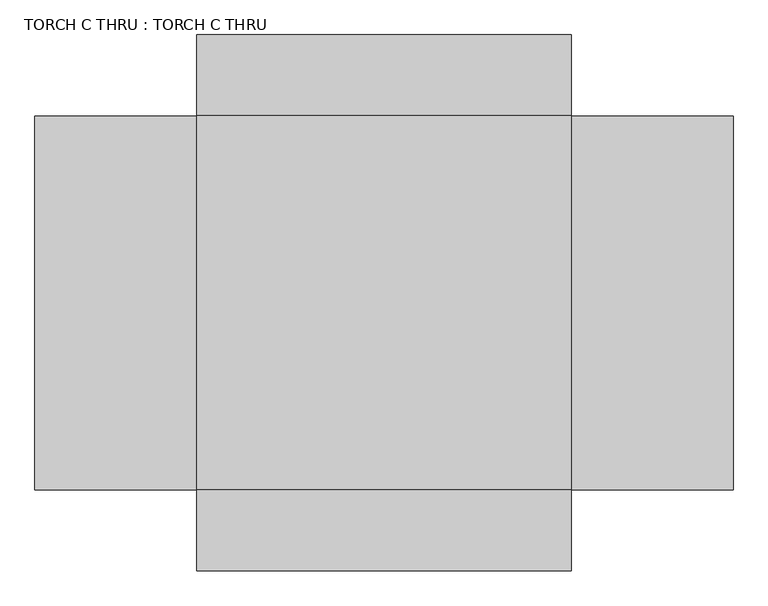
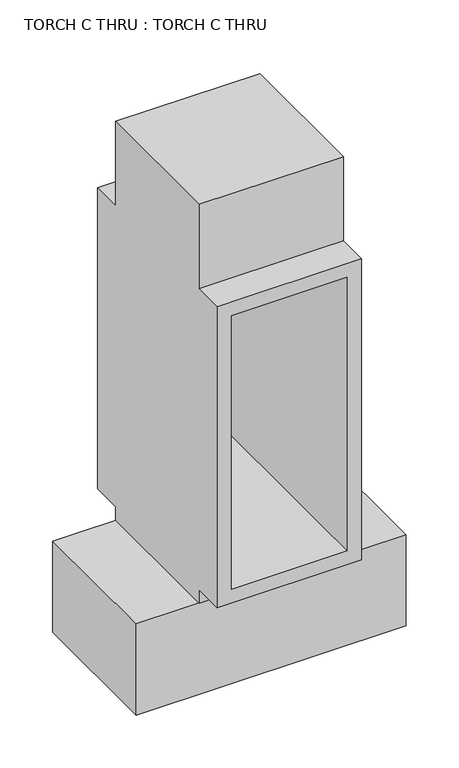
"""IFC4 building model written with IfcOpenShell, lengths in millimetres: proxy geometry, TORCH C THRU : TORCH C THRU."""

from ifc_helpers import new_model, si_unit, origin, origin_with_axes, place, context, project, spatial, polyline, outline, extrude, faceted_brep, source, transform, mapped, element, save


def torch_c_thru_torch_c_thru_7f72ae65(model_context):
    return source(origin(), model_context, "Body", "SolidModel", [
        faceted_brep([(-381.0, 381.0, 2730.5), (-381.0, -381.0, 2730.5), (381.0, -381.0, 2730.5), (381.0, 381.0, 2730.5), (381.0, 381.0, 508.0), (381.0, -381.0, 508.0), (-381.0, -381.0, 508.0), (-381.0, 381.0, 508.0), (381.0, 546.1, 2260.6), (381.0, 546.1, 584.2), (-381.0, 546.1, 584.2), (-381.0, 546.1, 2260.6), (304.8, 546.1, 2184.4), (-304.8, 546.1, 2184.4), (-304.8, 546.1, 660.4), (304.8, 546.1, 660.4), (-381.0, 381.0, 2260.6), (-381.0, 381.0, 584.2), (-381.0, -381.0, 584.2), (-381.0, -546.1, 584.2), (-381.0, -546.1, 2260.6), (-381.0, -381.0, 2260.6), (381.0, -546.1, 584.2), (381.0, -546.1, 2260.6), (-304.8, -546.1, 2184.4), (304.8, -546.1, 2184.4), (304.8, -546.1, 660.4), (-304.8, -546.1, 660.4), (381.0, -381.0, 2260.6), (381.0, -381.0, 584.2), (381.0, 381.0, 584.2), (381.0, 381.0, 2260.6)], [[[0, 1, 2, 3]], [[4, 5, 6, 7]], [[8, 9, 10, 11], [12, 13, 14, 15]], [[1, 0, 16, 11, 10, 17, 7, 6, 18, 19, 20, 21]], [[20, 19, 22, 23], [24, 25, 26, 27]], [[3, 2, 28, 23, 22, 29, 5, 4, 30, 9, 8, 31]], [[31, 16, 0, 3]], [[16, 31, 8, 11]], [[28, 21, 20, 23]], [[21, 28, 2, 1]], [[29, 18, 6, 5]], [[18, 29, 22, 19]], [[17, 30, 4, 7]], [[30, 17, 10, 9]], [[12, 25, 24, 13]], [[13, 24, 27, 14]], [[14, 27, 26, 15]], [[25, 12, 15, 26]]]),
        extrude(outline(polyline([(711.2, 381.0), (711.2, -381.0), (-711.2, -381.0), (-711.2, 381.0), (711.2, 381.0)])), origin_with_axes(), (0.0, 0.0, 1.0), 508.0),
    ])


if __name__ == "__main__":
    model = new_model("IFC4")
    model_context = context("Model", 3, world=origin())
    ifc_project = project(units=[si_unit("LENGTHUNIT", "METRE", prefix="MILLI")], contexts=[model_context])
    site = spatial("IfcSite", under=ifc_project)
    building = spatial("IfcBuilding", under=site)
    placement = place(None, origin())
    torch_c_thru_torch_c_thru_shape = torch_c_thru_torch_c_thru_7f72ae65(model_context)
    element("IfcBuildingElementProxy", 1, Name="TORCH C THRU : TORCH C THRU", ObjectType="TORCH C THRU : TORCH C THRU", at=placement, inside=building, context=model_context, shape_type="MappedRepresentation", body=[
        mapped(torch_c_thru_torch_c_thru_shape, transform((0.0, 0.0, 0.0), x_axis=(1.0, 0.0, 0.0), y_axis=(0.0, 1.0, 0.0), z_axis=(0.0, 0.0, 1.0))),
    ])
    save(model, "model.ifc")
